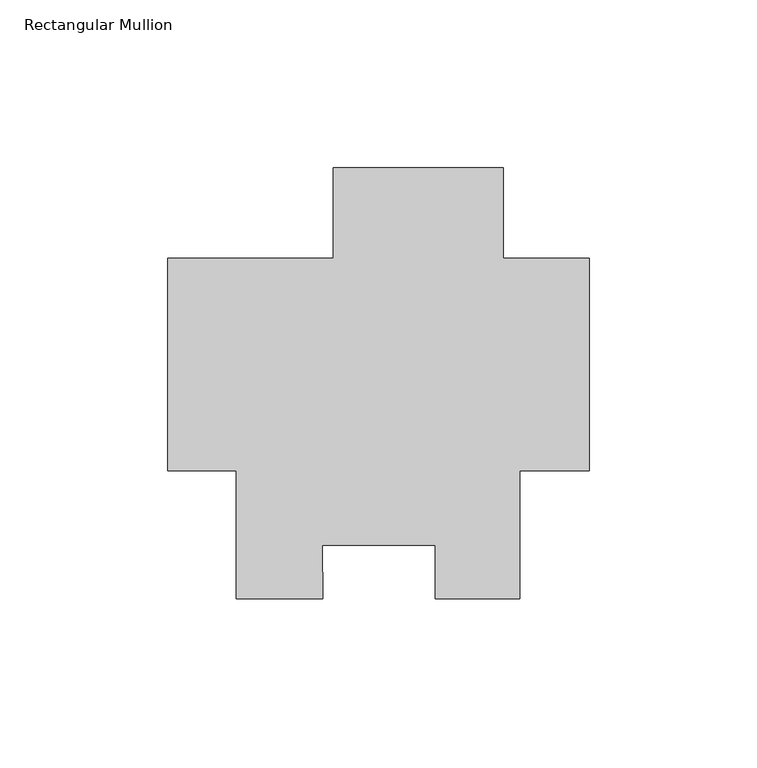
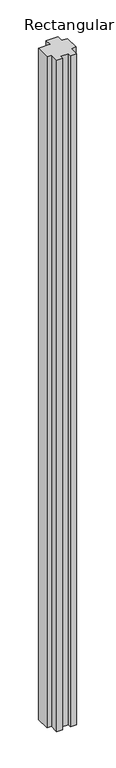
"""IFC4 building model written with IfcOpenShell, lengths in millimetres: member geometry, Rectangular Mullion."""

from ifc_helpers import new_model, si_unit, frame, origin, place, context, project, spatial, polyline, outline, extrude, source, transform, mapped, element, save


def rectangular_mullion_d27df4fc(model_context):
    return source(origin(), model_context, "Body", "SweptSolid", [
        extrude(outline(polyline([(-25.577927, 58.7248), (-25.577927, 31.75), (0.0, 31.75), (0.0, -31.75), (-20.6735973, -31.75), (-20.6735973, -69.85), (-45.9670891, -69.85), (-45.9670891, -53.9624751), (-79.6350624, -53.9624751), (-79.4405765, -69.8732034), (-105.2447888, -69.8732034), (-105.2447888, -31.75), (-125.7808, -31.75), (-125.7808, 31.75), (-76.377927, 31.75), (-76.377927, 58.7248), (-25.577927, 58.7248)])), frame((0.0, 0.0, -3048.0), z_axis=(0.0, 0.0, 1.0), x_axis=(1.0, 0.0, 0.0)), (0.0, 0.0, 1.0), 3048.0),
    ])


if __name__ == "__main__":
    model = new_model("IFC4")
    model_context = context("Model", 3, world=origin())
    ifc_project = project(units=[si_unit("LENGTHUNIT", "METRE", prefix="MILLI")], contexts=[model_context])
    site = spatial("IfcSite", under=ifc_project)
    building = spatial("IfcBuilding", under=site)
    placement = place(None, origin())
    rectangular_mullion_shape = rectangular_mullion_d27df4fc(model_context)
    element("IfcMember", 1, ObjectType="Rectangular Mullion", at=placement, inside=building, context=model_context, shape_type="MappedRepresentation", body=[
        mapped(rectangular_mullion_shape, transform((0.0, 0.0, 0.0), x_axis=(1.0, 0.0, 0.0), y_axis=(0.0, 1.0, 0.0), z_axis=(0.0, 0.0, 1.0))),
    ])
    save(model, "model.ifc")
